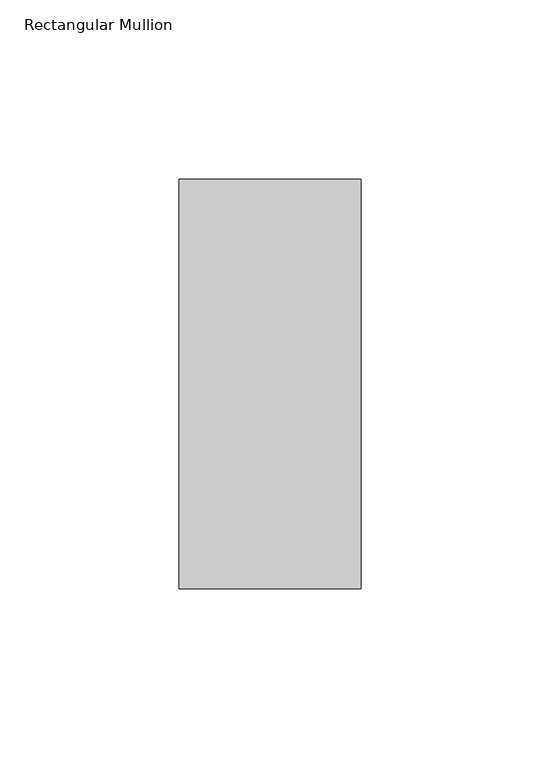
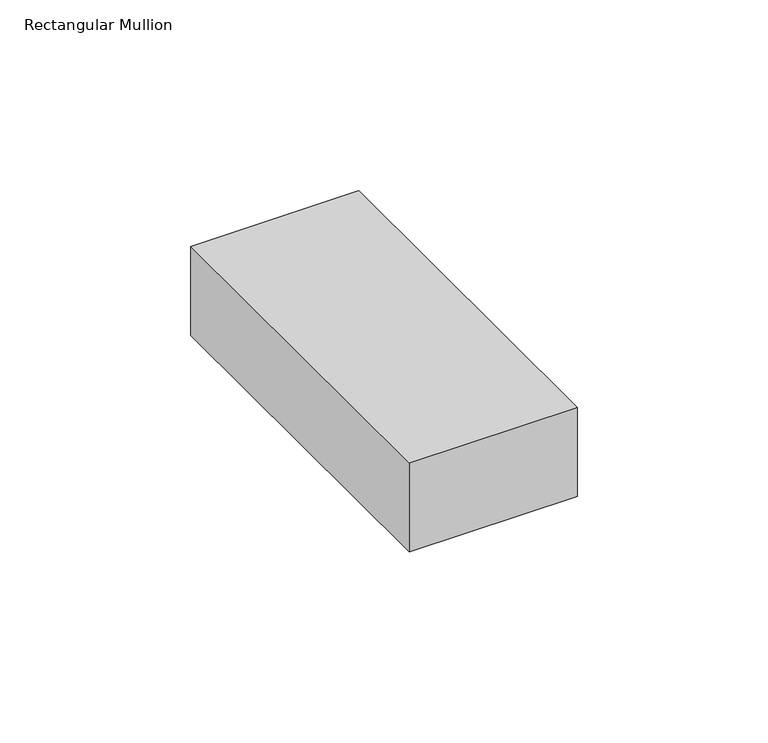
"""IFC4 building model written with IfcOpenShell, lengths in millimetres: member geometry, Rectangular Mullion."""

from ifc_helpers import new_model, si_unit, frame, origin, place, context, project, spatial, polyline, outline, extrude, source, transform, mapped, element, save


def rectangular_mullion_326f4828(model_context):
    return source(origin(), model_context, "Body", "SweptSolid", [
        extrude(outline(polyline([(-50.8, 74.5132813), (0.0, 74.5132813), (0.0, -39.7867187), (-50.8, -39.7867187), (-50.8, 74.5132813)])), frame((0.0, 0.0, -28.4555957), z_axis=(0.0, 0.0, 1.0), x_axis=(1.0, 0.0, 0.0)), (0.0, 0.0, 1.0), 28.4555957),
    ])


if __name__ == "__main__":
    model = new_model("IFC4")
    model_context = context("Model", 3, world=origin())
    ifc_project = project(units=[si_unit("LENGTHUNIT", "METRE", prefix="MILLI")], contexts=[model_context])
    site = spatial("IfcSite", under=ifc_project)
    building = spatial("IfcBuilding", under=site)
    placement = place(None, origin())
    rectangular_mullion_shape = rectangular_mullion_326f4828(model_context)
    element("IfcMember", 1, ObjectType="Rectangular Mullion", at=placement, inside=building, context=model_context, shape_type="MappedRepresentation", body=[
        mapped(rectangular_mullion_shape, transform((0.0, 0.0, 0.0), x_axis=(1.0, 0.0, 0.0), y_axis=(0.0, 1.0, 0.0), z_axis=(0.0, 0.0, 1.0))),
    ])
    save(model, "model.ifc")
